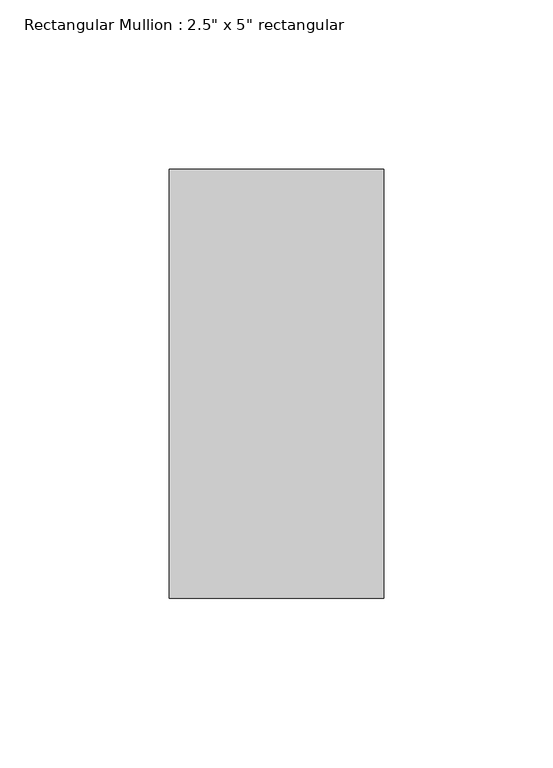
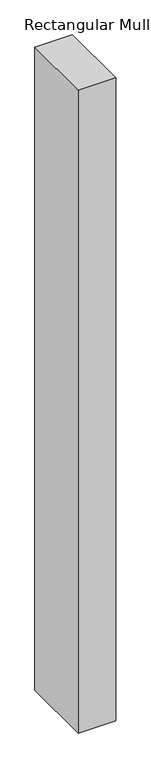
"""IFC4 building model written with IfcOpenShell, lengths in millimetres: member geometry."""

from ifc_helpers import new_model, si_unit, frame, origin, place, context, project, spatial, polyline, outline, extrude, source, transform, mapped, element, save


def member_40540865(model_context):
    return source(origin(), model_context, "Body", "SweptSolid", [
        extrude(outline(polyline([(31.75, 63.5), (31.75, -63.5), (-31.75, -63.5), (-31.75, 63.5), (31.75, 63.5)])), frame((0.0, 0.0, -1148.9650757), z_axis=(0.0, 0.0, 1.0), x_axis=(1.0, 0.0, 0.0)), (0.0, 0.0, 1.0), 1148.9650757),
    ])


if __name__ == "__main__":
    model = new_model("IFC4")
    model_context = context("Model", 3, world=origin())
    ifc_project = project(units=[si_unit("LENGTHUNIT", "METRE", prefix="MILLI")], contexts=[model_context])
    site = spatial("IfcSite", under=ifc_project)
    building = spatial("IfcBuilding", under=site)
    placement = place(None, origin())
    member_shape = member_40540865(model_context)
    element("IfcMember", 1, ObjectType="Rectangular Mullion : 2.5\" x 5\" rectangular", at=placement, inside=building, context=model_context, shape_type="MappedRepresentation", body=[
        mapped(member_shape, transform((0.0, 0.0, 0.0), x_axis=(1.0, 0.0, 0.0), y_axis=(0.0, 1.0, 0.0), z_axis=(0.0, 0.0, 1.0))),
    ])
    save(model, "model.ifc")
